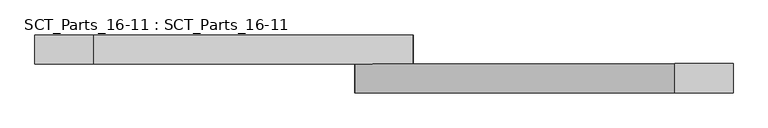
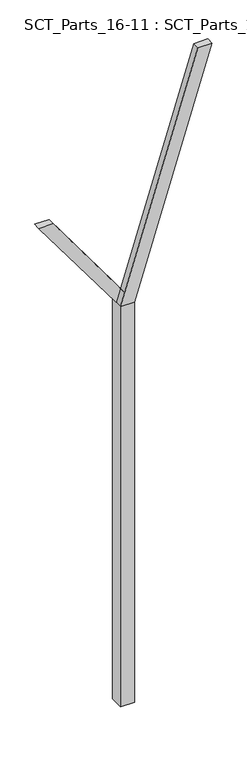
"""IFC4 building model written with IfcOpenShell, lengths in millimetres: proxy geometry, SCT_Parts_16-11 : SCT_Parts_16-11."""

import ifcopenshell
import ifcopenshell.guid

model = None  # the IFC model being written
_history = None  # IfcOwnerHistory: only IFC2X3 demands one
_inside = {}  # id of a spatial element -> (the spatial element, [elements in it])
_under = {}  # id of a project, library or spatial element -> (it, [spatial elements below it])
_declared = {}  # id of a project -> (the project, [libraries it declares])
_typed = {}  # id of a type object -> (the type object, [elements of that type])
_made_of = {}  # id of a material, layer set ... -> (it, [elements and type objects made of it])


def new_model(schema):
    """Start an empty IFC model of exactly this schema.

    Asked for "IFC4X3", IfcOpenShell would pick the latest addendum, in which some entities
    have other attributes; the version numbers below select the first issue.
    IFC2X3 requires an IfcOwnerHistory on every rooted entity: one is made here for all.
    """
    global model, _history
    if schema == "IFC4X3":
        model = ifcopenshell.file(schema_version=(4, 3, 0, 0))
    else:
        model = ifcopenshell.file(schema=schema)
    _inside.clear()
    _under.clear()
    _declared.clear()
    _typed.clear()
    _made_of.clear()
    _history = None
    if model.schema == "IFC2X3":
        org = make("IfcOrganization", Name="unknown")
        user = make(
            "IfcPersonAndOrganization",
            ThePerson=make("IfcPerson", FamilyName="unknown"),
            TheOrganization=org,
        )
        app = make(
            "IfcApplication",
            ApplicationDeveloper=org,
            Version="unknown",
            ApplicationFullName="unknown",
            ApplicationIdentifier="unknown",
        )
        _history = make(
            "IfcOwnerHistory",
            OwningUser=user,
            OwningApplication=app,
            ChangeAction="ADDED",
            CreationDate=0,
        )
    return model


def make(cls, **values):
    """One entity of the class cls with the attributes given. An attribute that is None is left unset."""
    return model.create_entity(
        cls, **{name: value for name, value in values.items() if value is not None}
    )


def rooted(cls, **values):
    """An entity with a GlobalId (a new one), such as an element, a storey or a relation."""
    return make(cls, GlobalId=ifcopenshell.guid.new(), OwnerHistory=_history, **values)


def si_unit(unit_type, name, prefix=None):
    """IfcSIUnit, for example si_unit("LENGTHUNIT", "METRE", prefix="MILLI")."""
    return make("IfcSIUnit", UnitType=unit_type, Prefix=prefix, Name=name)


def assignment(units):
    """IfcUnitAssignment: the units of a project."""
    return None if units is None else make("IfcUnitAssignment", Units=units)


def point(xyz):
    """IfcCartesianPoint."""
    return None if xyz is None else make("IfcCartesianPoint", Coordinates=xyz)


def direction(xyz):
    """IfcDirection."""
    return None if xyz is None else make("IfcDirection", DirectionRatios=xyz)


def frame(location, z_axis=None, x_axis=None):
    """IfcAxis2Placement3D, a coordinate frame: its origin and axes. An axis left out is left unset."""
    return make(
        "IfcAxis2Placement3D",
        Location=point(location),
        Axis=direction(z_axis),
        RefDirection=direction(x_axis),
    )


def origin():
    """The frame at (0, 0, 0) with its axes left unset."""
    return frame((0.0, 0.0, 0.0))


def origin_with_axes():
    """The frame at (0, 0, 0) with the z axis (0, 0, 1) and the x axis (1, 0, 0) written out."""
    return frame((0.0, 0.0, 0.0), z_axis=(0.0, 0.0, 1.0), x_axis=(1.0, 0.0, 0.0))


def place(relative_to, where):
    """IfcLocalPlacement: puts the frame where relative to a parent placement (None: the world)."""
    return make(
        "IfcLocalPlacement", PlacementRelTo=relative_to, RelativePlacement=where
    )


def context(
    kind, dimensions, precision=None, world=None, true_north=None, identifier=None
):
    """IfcGeometricRepresentationContext, for example the 3D "Model" context."""
    return make(
        "IfcGeometricRepresentationContext",
        ContextIdentifier=identifier,
        ContextType=kind,
        CoordinateSpaceDimension=dimensions,
        Precision=precision,
        WorldCoordinateSystem=world,
        TrueNorth=true_north,
    )


def project(units=None, contexts=None):
    """IfcProject with its units and contexts."""
    return rooted(
        "IfcProject",
        Name="project",
        RepresentationContexts=contexts,
        UnitsInContext=assignment(units),
    )


def spatial(cls, under=None, at=None, **own):
    """A site, building, storey or space (cls), placed at a placement, below another one or the project."""
    s = rooted(cls, ObjectPlacement=at, **own)
    if under is not None:
        _under.setdefault(under.id(), (under, []))[1].append(s)
    return s


def polyline(points):
    """IfcPolyline through the points."""
    return make("IfcPolyline", Points=[point(p) for p in points])


def outline(outer, holes=None, kind="AREA"):
    """IfcArbitraryClosedProfileDef: a profile drawn as a closed curve; with holes, ...WithVoids."""
    if holes is None:
        return make("IfcArbitraryClosedProfileDef", ProfileType=kind, OuterCurve=outer)
    return make(
        "IfcArbitraryProfileDefWithVoids",
        ProfileType=kind,
        OuterCurve=outer,
        InnerCurves=holes,
    )


def extrude(swept, where, along, depth):
    """IfcExtrudedAreaSolid: the profile swept, set in the frame where, extruded along a direction by depth."""
    return make(
        "IfcExtrudedAreaSolid",
        SweptArea=swept,
        Position=where,
        ExtrudedDirection=direction(along),
        Depth=depth,
    )


def shape(context_of_items, identifier, shape_type, items):
    """IfcShapeRepresentation: the items that make up one representation, for example the "Body"."""
    return make(
        "IfcShapeRepresentation",
        ContextOfItems=context_of_items,
        RepresentationIdentifier=identifier,
        RepresentationType=shape_type,
        Items=items,
    )


def source(mapping_origin, context_of_items, identifier, shape_type, items):
    """IfcRepresentationMap: a shape defined once, which mapped items show again and again."""
    return make(
        "IfcRepresentationMap",
        MappingOrigin=mapping_origin,
        MappedRepresentation=shape(context_of_items, identifier, shape_type, items),
    )


def transform(
    local_origin,
    x_axis=None,
    y_axis=None,
    z_axis=None,
    scale=None,
    scale2=None,
    scale3=None,
    uniform=True,
):
    """IfcCartesianTransformationOperator3D, or its non-uniform kind. x_axis, y_axis, z_axis: its Axis1, 2, 3."""
    if uniform:
        return make(
            "IfcCartesianTransformationOperator3D",
            Axis1=direction(x_axis),
            Axis2=direction(y_axis),
            LocalOrigin=point(local_origin),
            Scale=scale,
            Axis3=direction(z_axis),
        )
    return make(
        "IfcCartesianTransformationOperator3DnonUniform",
        Axis1=direction(x_axis),
        Axis2=direction(y_axis),
        LocalOrigin=point(local_origin),
        Scale=scale,
        Axis3=direction(z_axis),
        Scale2=scale2,
        Scale3=scale3,
    )


def mapped(mapping_source, mapping_target):
    """IfcMappedItem: shows the shape of a source again, moved by a transform."""
    return make(
        "IfcMappedItem", MappingSource=mapping_source, MappingTarget=mapping_target
    )


def made_of(thing, what):
    """Note that an element or type object is made of a material, layer set ...; save() writes the relation."""
    if what is not None:
        _made_of.setdefault(what.id(), (what, []))[1].append(thing)
    return thing


def element(
    cls,
    number,
    at=None,
    inside=None,
    cuts=None,
    type_object=None,
    material=None,
    context=None,
    identifier="Body",
    shape_type=None,
    held_by="IfcProductDefinitionShape",
    body=None,
    shapes=None,
    **own,
):
    """One element of the class cls, such as IfcWall. Its Tag is "e" and its number.

    at: its placement. inside: the storey or other place that contains it. cuts: it is an
    opening in that element (IfcRelVoidsElement). A single representation is given by context,
    identifier, shape_type and body (its items); several are given by shapes. held_by: the class
    of the entity that holds the representations. save() writes the other relations.
    """
    e = rooted(cls, Tag="e%d" % number, ObjectPlacement=at, **own)
    if body is not None:
        shapes = [shape(context, identifier, shape_type, body)]
    if shapes is not None:
        e.Representation = make(held_by, Representations=shapes)
    if inside is not None:
        _inside.setdefault(inside.id(), (inside, []))[1].append(e)
    if cuts is not None:
        rooted(
            "IfcRelVoidsElement", RelatingBuildingElement=cuts, RelatedOpeningElement=e
        )
    if type_object is not None:
        _typed.setdefault(type_object.id(), (type_object, []))[1].append(e)
    return made_of(e, material)


def aggregate(whole, parts):
    """IfcRelAggregates: a whole, such as a stair, and the parts it consists of."""
    return rooted("IfcRelAggregates", RelatingObject=whole, RelatedObjects=parts)


def save(model, path):
    """Write the relations noted so far, then the file.

    IfcRelAggregates (storeys below a building ...), IfcRelContainedInSpatialStructure (elements
    in a storey), IfcRelDefinesByType, IfcRelAssociatesMaterial and IfcRelDeclares: one each for
    every whole, place, type object, material and project.
    """
    for whole, parts in _under.values():
        aggregate(whole, parts)
    for where, things in _inside.values():
        rooted(
            "IfcRelContainedInSpatialStructure",
            RelatedElements=things,
            RelatingStructure=where,
        )
    for kind, things in _typed.values():
        rooted("IfcRelDefinesByType", RelatedObjects=things, RelatingType=kind)
    for what, things in _made_of.values():
        rooted("IfcRelAssociatesMaterial", RelatedObjects=things, RelatingMaterial=what)
    for by, libraries in _declared.values():
        rooted("IfcRelDeclares", RelatingContext=by, RelatedDefinitions=libraries)
    model.write(path)


def sct_parts_16_11_sct_parts_16_11_1564e3ec(model_context):
    return source(origin(), model_context, "Body", "SweptSolid", [
        extrude(outline(polyline([(6000.0, 200.0), (9500.0, 1300.0), (9500.0, 1100.0), (6000.0, 0.0), (6000.0, 200.0)])), frame((0.0, -200.0, 0.0), z_axis=(0.0, 1.0, 0.0), x_axis=(0.0, 0.0, 1.0)), (0.0, 0.0, 1.0), 100.0),
        extrude(outline(polyline([(6000.0, 0.0), (6000.0, 200.0), (7500.0, -900.0), (7500.0, -1100.0), (6000.0, 0.0)])), frame((0.0, -100.0, 0.0), z_axis=(0.0, 1.0, 0.0), x_axis=(0.0, 0.0, 1.0)), (0.0, 0.0, 1.0), 100.0),
        extrude(outline(polyline([(200.0, -200.0), (0.0, -200.0), (0.0, 0.0), (200.0, 0.0), (200.0, -200.0)])), origin_with_axes(), (0.0, 0.0, 1.0), 6000.0),
    ])


if __name__ == "__main__":
    model = new_model("IFC4")
    model_context = context("Model", 3, world=origin())
    ifc_project = project(units=[si_unit("LENGTHUNIT", "METRE", prefix="MILLI")], contexts=[model_context])
    site = spatial("IfcSite", under=ifc_project)
    building = spatial("IfcBuilding", under=site)
    placement = place(None, origin())
    sct_parts_16_11_sct_parts_16_11_shape = sct_parts_16_11_sct_parts_16_11_1564e3ec(model_context)
    element("IfcBuildingElementProxy", 1, Name="SCT_Parts_16-11 : SCT_Parts_16-11", ObjectType="SCT_Parts_16-11 : SCT_Parts_16-11", at=placement, inside=building, context=model_context, shape_type="MappedRepresentation", body=[
        mapped(sct_parts_16_11_sct_parts_16_11_shape, transform((0.0, 0.0, 0.0), x_axis=(1.0, 0.0, 0.0), y_axis=(0.0, 1.0, 0.0), z_axis=(0.0, 0.0, 1.0))),
    ])
    save(model, "model.ifc")
